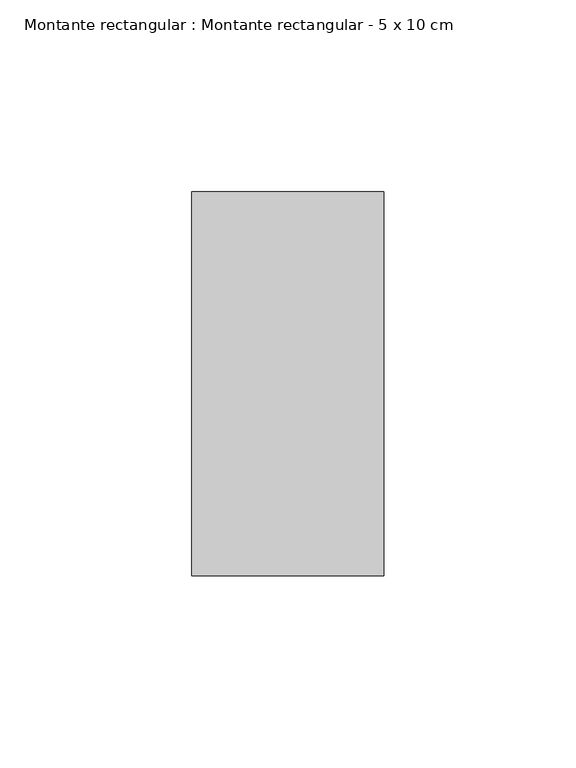
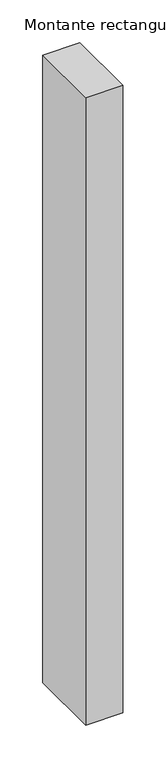
"""IFC4 building model written with IfcOpenShell, lengths in millimetres: member geometry, Montante rectangular : Montante rectangular - 5 x 10 cm."""

from ifc_helpers import new_model, si_unit, frame, origin, place, context, project, spatial, polyline, outline, extrude, source, transform, mapped, element, save


def montante_rectangular_montante_rectangular_5_x_10_cm_7c3e0335(model_context):
    return source(origin(), model_context, "Body", "SweptSolid", [
        extrude(outline(polyline([(0.0, 50.0), (0.0, -50.0), (-50.0, -50.0), (-50.0, 50.0), (0.0, 50.0)])), frame((0.0, 0.0, -893.7051487), z_axis=(0.0, 0.0, 1.0), x_axis=(1.0, 0.0, 0.0)), (0.0, 0.0, 1.0), 893.7051487),
    ])


if __name__ == "__main__":
    model = new_model("IFC4")
    model_context = context("Model", 3, world=origin())
    ifc_project = project(units=[si_unit("LENGTHUNIT", "METRE", prefix="MILLI")], contexts=[model_context])
    site = spatial("IfcSite", under=ifc_project)
    building = spatial("IfcBuilding", under=site)
    placement = place(None, origin())
    montante_rectangular_montante_rectangular_5_x_10_cm_shape = montante_rectangular_montante_rectangular_5_x_10_cm_7c3e0335(model_context)
    element("IfcMember", 1, ObjectType="Montante rectangular : Montante rectangular - 5 x 10 cm", at=placement, inside=building, context=model_context, shape_type="MappedRepresentation", body=[
        mapped(montante_rectangular_montante_rectangular_5_x_10_cm_shape, transform((0.0, 0.0, 0.0), x_axis=(1.0, 0.0, 0.0), y_axis=(0.0, 1.0, 0.0), z_axis=(0.0, 0.0, 1.0))),
    ])
    save(model, "model.ifc")
